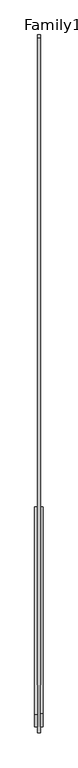
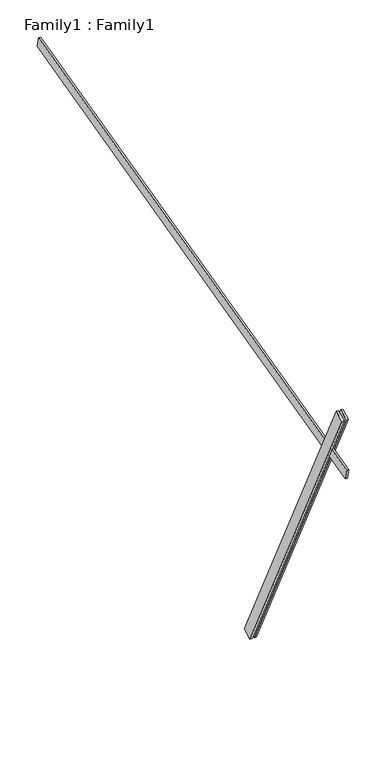
"""IFC4 building model written with IfcOpenShell, lengths in millimetres: proxy geometry, Family1 : Family1."""

from ifc_helpers import new_model, si_unit, frame, origin, place, context, project, spatial, polyline, outline, extrude, source, transform, mapped, element, save


def family1_family1_4cfdb67d(model_context):
    return source(origin(), model_context, "Body", "SweptSolid", [
        extrude(outline(polyline([(0.0, 0.0), (-100.0000001, 0.0), (-100.0000001, 20.0), (0.0, 20.0), (0.0, 0.0)])), frame((-30.0, -46.3241747, -22.5938096), z_axis=(0.0, -0.4383711467890692, 0.8987940462991711), x_axis=(0.0, -0.8987940462991711, -0.4383711467890692)), (0.0, 0.0, 1.0), 3300.0),
        extrude(outline(polyline([(0.0, 0.0), (-99.9999999, 0.0), (-99.9999999, 20.0), (0.0, 20.0), (0.0, 0.0)])), frame((10.0, -45.270232, -22.0797674), z_axis=(0.0, -0.4383711467890692, 0.8987940462991711), x_axis=(0.0, -0.8987940462991711, -0.4383711467890692)), (0.0, 0.0, 1.0), 3300.0),
        extrude(outline(polyline([(0.0, 20.0), (5000.0, 20.0), (5000.0, 0.0), (0.0, 0.0), (0.0, 20.0)])), frame((-10.0, 3343.3608641, 3604.7211023), z_axis=(0.0, -0.24192189559966992, 0.9702957262759959), x_axis=(0.0, -0.9702957262759959, -0.24192189559966992)), (0.0, 0.0, 1.0), 100.0),
    ])


if __name__ == "__main__":
    model = new_model("IFC4")
    model_context = context("Model", 3, world=origin())
    ifc_project = project(units=[si_unit("LENGTHUNIT", "METRE", prefix="MILLI")], contexts=[model_context])
    site = spatial("IfcSite", under=ifc_project)
    building = spatial("IfcBuilding", under=site)
    placement = place(None, origin())
    family1_family1_shape = family1_family1_4cfdb67d(model_context)
    element("IfcBuildingElementProxy", 1, Name="Family1 : Family1", ObjectType="Family1 : Family1", at=placement, inside=building, context=model_context, shape_type="MappedRepresentation", body=[
        mapped(family1_family1_shape, transform((0.0, 0.0, 0.0), x_axis=(1.0, 0.0, 0.0), y_axis=(0.0, 1.0, 0.0), z_axis=(0.0, 0.0, 1.0))),
    ])
    save(model, "model.ifc")
